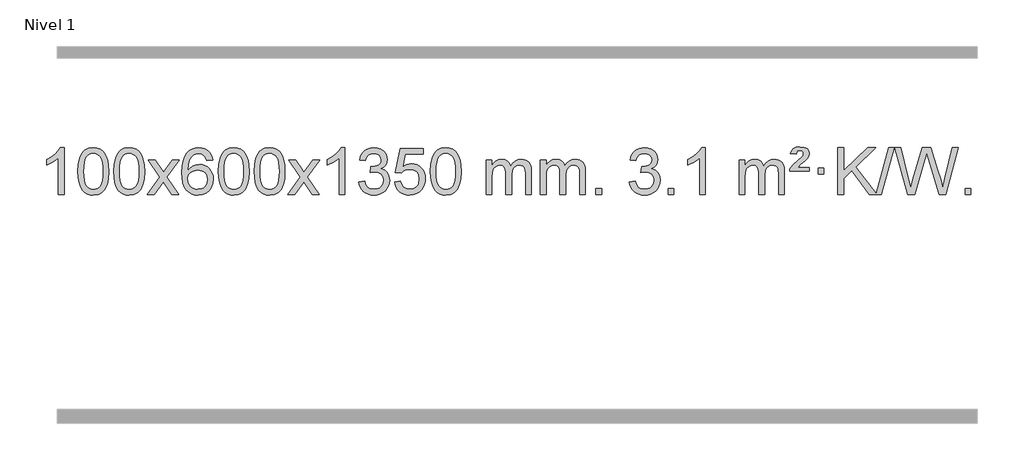
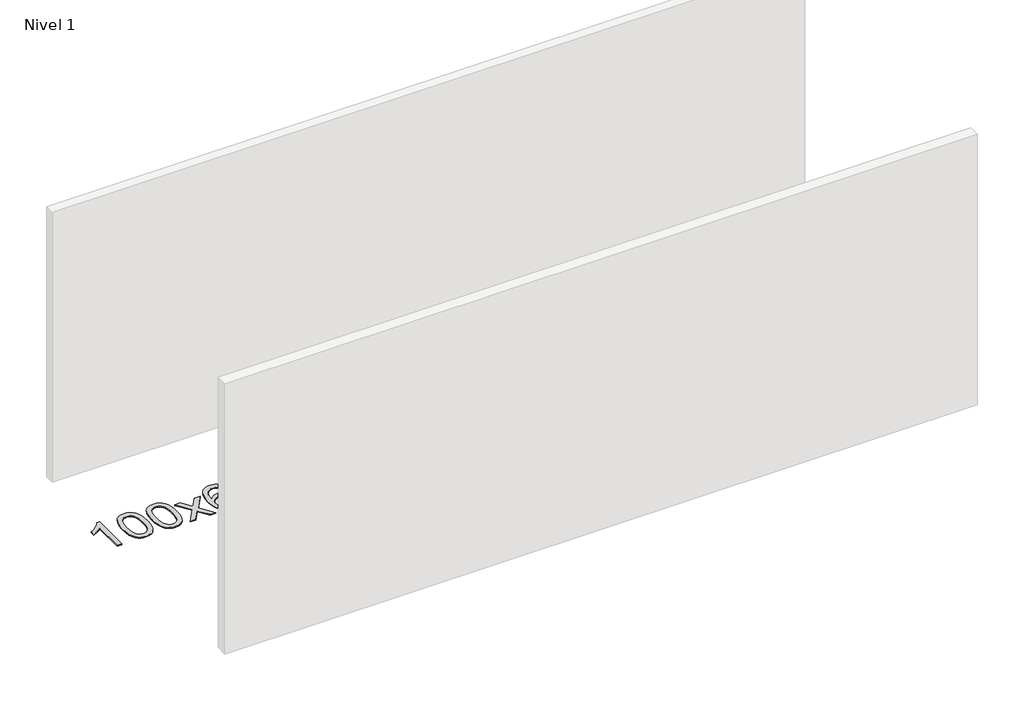
# One storey, part 3 of 9: 1 proxy.
"""IFC4 building model written with IfcOpenShell, lengths in millimetres."""

from ifc_helpers import new_model, si_unit, origin, origin_with_axes, place, context, project, spatial, polyline, outline, extrude, element, save

model = new_model("IFC4")

# Units and contexts
model_context = context("Model", 3, world=origin())
ifc_project = project(units=[si_unit("LENGTHUNIT", "METRE", prefix="MILLI")], contexts=[model_context])

# Site, building, storey
site = spatial("IfcSite", under=ifc_project)
building = spatial("IfcBuilding", under=site)
storey = spatial("IfcBuildingStorey", under=building, Name="Nivel 1", Elevation=0.0)

# Proxy
placement = place(None, origin())
element("IfcBuildingElementProxy", 1, Name="Texto de modelo 1", ObjectType="Texto de modelo 1", at=placement, inside=storey, context=model_context, shape_type="SweptSolid", body=[
    extrude(outline(polyline([(-12973.1124343, -9420.579453), (-13023.3405894, -9420.579453), (-13023.3405894, -9107.4382987), (-13044.3098631, -9124.3976587), (-13070.9199941, -9141.3324932), (-13123.7968995, -9166.6918254), (-13123.7968995, -9119.2105225), (-13084.3476869, -9097.7507395), (-13050.1714496, -9072.219729), (-13023.2302248, -9045.0700378), (-13005.4860499, -9018.7542124), (-12973.1124343, -9018.7542124), (-12973.1124343, -9420.579453)])), origin_with_axes(), (0.0, 0.0, 1.0), 10.0),
    extrude(outline(polyline([(-12853.820566, -9222.9041943), (-12850.1294833, -9158.5861588), (-12839.0562353, -9107.2911459), (-12820.7111864, -9068.2343407), (-12808.8531234, -9053.0009605), (-12795.2047014, -9040.6309284), (-12779.7199351, -9031.0598651), (-12762.3528393, -9024.2233914), (-12721.9716589, -9018.7542124), (-12691.0205204, -9021.991574), (-12663.3067434, -9031.7036586), (-12640.1301777, -9047.5103217), (-12622.790673, -9069.0314184), (-12609.694074, -9096.0830078), (-12599.2462253, -9128.4811488), (-12592.4036202, -9169.6226186), (-12590.1227518, -9222.9041943), (-12593.7770463, -9286.8543477), (-12604.7399298, -9338.0267333), (-12622.974614, -9377.1203266), (-12634.8050858, -9392.3996922), (-12648.4443108, -9404.8341036), (-12663.9474712, -9414.4695462), (-12681.3697494, -9421.3520052), (-12721.9716589, -9426.8579724), (-12749.636385, -9424.4667394), (-12774.1618513, -9417.2930405), (-12795.548058, -9405.3368757), (-12813.7950049, -9388.5982449), (-12831.3061879, -9358.3399508), (-12843.8141757, -9320.6381776), (-12851.3189684, -9275.4929255), (-12853.820566, -9222.9041943)]), holes=[polyline([(-12803.5924109, -9222.8060924), (-12802.1208829, -9266.4706195), (-12797.706299, -9301.8148822), (-12790.3486591, -9328.8388804), (-12780.0479632, -9347.5426142), (-12767.5890263, -9360.2682656), (-12753.7566633, -9369.3580165), (-12738.5508742, -9374.8118671), (-12721.9716589, -9376.6298173), (-12705.3924437, -9374.8057357), (-12690.1866545, -9369.3334911), (-12676.3542915, -9360.2130833), (-12663.8953546, -9347.4445124), (-12653.5946588, -9328.7101217), (-12646.2370188, -9301.6922549), (-12641.8224349, -9266.3909118), (-12640.3509069, -9222.8060924), (-12641.773384, -9180.2973278), (-12646.0408151, -9145.5753989), (-12653.1532004, -9118.6403055), (-12663.1105397, -9099.4920476), (-12675.3610101, -9086.1440625), (-12689.3527887, -9076.6097875), (-12705.0858753, -9070.8892225), (-12722.5602701, -9068.9823675), (-12739.0536462, -9070.6623619), (-12754.001918, -9075.7023452), (-12767.4050853, -9084.1023175), (-12779.2631483, -9095.8622786), (-12789.9072007, -9116.708925), (-12797.5100953, -9144.8151094), (-12802.071832, -9180.1808319), (-12803.5924109, -9222.8060924)])]), origin_with_axes(), (0.0, 0.0, 1.0), 10.0),
    extrude(outline(polyline([(-12546.1731162, -9222.9041943), (-12542.4820335, -9158.5861588), (-12531.4087854, -9107.2911459), (-12513.0637366, -9068.2343407), (-12501.2056736, -9053.0009605), (-12487.5572516, -9040.6309284), (-12472.0724853, -9031.0598651), (-12454.7053894, -9024.2233914), (-12414.3242091, -9018.7542124), (-12383.3730706, -9021.991574), (-12355.6592936, -9031.7036586), (-12332.4827279, -9047.5103217), (-12315.1432232, -9069.0314184), (-12302.0466242, -9096.0830078), (-12291.5987755, -9128.4811488), (-12284.7561704, -9169.6226186), (-12282.475302, -9222.9041943), (-12286.1295965, -9286.8543477), (-12297.09248, -9338.0267333), (-12315.3271642, -9377.1203266), (-12327.157636, -9392.3996922), (-12340.796861, -9404.8341036), (-12356.3000214, -9414.4695462), (-12373.7222996, -9421.3520052), (-12414.3242091, -9426.8579724), (-12441.9889351, -9424.4667394), (-12466.5144015, -9417.2930405), (-12487.9006081, -9405.3368757), (-12506.1475551, -9388.5982449), (-12523.6587381, -9358.3399508), (-12536.1667259, -9320.6381776), (-12543.6715186, -9275.4929255), (-12546.1731162, -9222.9041943)]), holes=[polyline([(-12495.9449611, -9222.8060924), (-12494.4734331, -9266.4706195), (-12490.0588492, -9301.8148822), (-12482.7012093, -9328.8388804), (-12472.4005134, -9347.5426142), (-12459.9415765, -9360.2682656), (-12446.1092135, -9369.3580165), (-12430.9034243, -9374.8118671), (-12414.3242091, -9376.6298173), (-12397.7449938, -9374.8057357), (-12382.5392047, -9369.3334911), (-12368.7068417, -9360.2130833), (-12356.2479048, -9347.4445124), (-12345.9472089, -9328.7101217), (-12338.589569, -9301.6922549), (-12334.1749851, -9266.3909118), (-12332.7034571, -9222.8060924), (-12334.1259341, -9180.2973278), (-12338.3933653, -9145.5753989), (-12345.5057505, -9118.6403055), (-12355.4630899, -9099.4920476), (-12367.7135603, -9086.1440625), (-12381.7053388, -9076.6097875), (-12397.4384255, -9070.8892225), (-12414.9128203, -9068.9823675), (-12431.4061964, -9070.6623619), (-12446.3544681, -9075.7023452), (-12459.7576355, -9084.1023175), (-12471.6156985, -9095.8622786), (-12482.2597509, -9116.708925), (-12489.8626454, -9144.8151094), (-12494.4243822, -9180.1808319), (-12495.9449611, -9222.8060924)])]), origin_with_axes(), (0.0, 0.0, 1.0), 10.0),
    extrude(outline(polyline([(-12257.3612245, -9420.579453), (-12150.0377838, -9272.2494325), (-12251.0827051, -9125.4890419), (-12190.651956, -9125.4890419), (-12141.8953289, -9196.122385), (-12119.1356962, -9229.4770192), (-12099.4172212, -9202.2047007), (-12043.8915654, -9125.4890419), (-11983.4608163, -9125.4890419), (-12089.6070347, -9272.2494325), (-11987.384891, -9420.579453), (-12047.81564, -9420.579453), (-12109.3255096, -9331.4048574), (-12120.6072241, -9315.1199477), (-12196.9304754, -9420.579453), (-12257.3612245, -9420.579453)])), origin_with_axes(), (0.0, 0.0, 1.0), 10.0),
    extrude(outline(polyline([(-11698.5729993, -9125.4890419), (-11748.8011543, -9131.7675613), (-11756.8945582, -9106.874213), (-11767.8329162, -9089.8780648), (-11790.6170745, -9074.2062918), (-11818.1591732, -9068.9823675), (-11841.5074171, -9072.0235253), (-11863.482235, -9081.1469988), (-11882.3545813, -9100.3627017), (-11897.7688369, -9126.8134171), (-11908.1798974, -9164.227016), (-11912.0426583, -9216.3313693), (-11891.8949877, -9192.8237098), (-11867.7496661, -9176.2567573), (-11840.9555941, -9166.434308), (-11812.8616724, -9163.1601582), (-11788.7286136, -9165.398107), (-11766.4594901, -9172.1119534), (-11746.0543021, -9183.3016975), (-11727.5130496, -9198.9673391), (-11712.1049253, -9218.1769106), (-11701.0991223, -9239.9984443), (-11694.4956405, -9264.4319401), (-11692.2944799, -9291.4773982), (-11696.4392837, -9327.4439945), (-11708.8736951, -9360.786366), (-11728.5676446, -9389.0642287), (-11754.4910625, -9409.8372987), (-11785.4667265, -9422.602804), (-11820.3174142, -9426.8579724), (-11850.2599429, -9424.0375437), (-11877.3023353, -9415.5762579), (-11901.4445912, -9401.4741147), (-11922.6867107, -9381.7311143), (-11940.0047557, -9355.5133908), (-11952.3747877, -9321.9870783), (-11959.796807, -9281.1521768), (-11962.2708134, -9233.0086864), (-11959.5239612, -9179.0342663), (-11951.2834045, -9132.9693092), (-11937.5491433, -9094.8138149), (-11918.3211777, -9064.5677835), (-11897.4806627, -9044.5243462), (-11873.316947, -9030.2076052), (-11845.8300306, -9021.6175606), (-11815.0199135, -9018.7542124), (-11791.8862673, -9020.5261773), (-11770.9476505, -9025.8420722), (-11752.2040628, -9034.7018969), (-11735.6555044, -9047.1056515), (-11721.749565, -9062.6364031), (-11710.9338343, -9080.8772186), (-11703.2083124, -9101.8280983), (-11698.5729993, -9125.4890419)]), holes=[polyline([(-11912.0426583, -9290.6925832), (-11909.1363906, -9312.9494439), (-11900.4175873, -9334.2007605), (-11886.8795299, -9352.472233), (-11869.5154997, -9365.7895612), (-11848.5584887, -9373.9197533), (-11824.2414888, -9376.6298173), (-11791.0953211, -9371.0134855), (-11777.1801846, -9363.9930708), (-11765.0370131, -9354.1644901), (-11755.1869726, -9341.9262824), (-11748.1512295, -9327.6769865), (-11742.522635, -9293.1451299), (-11748.0776531, -9259.9989621), (-11755.0214257, -9246.3781312), (-11764.7427075, -9234.725469), (-11776.9226672, -9225.3904634), (-11791.2424739, -9218.7226022), (-11826.301628, -9213.3883133), (-11859.3987448, -9218.7226022), (-11887.0757336, -9234.725469), (-11897.9987632, -9246.2248471), (-11905.8009272, -9259.3858254), (-11910.4822255, -9274.2084042), (-11912.0426583, -9290.6925832)])]), origin_with_axes(), (0.0, 0.0, 1.0), 10.0),
    extrude(outline(polyline([(-11648.3448442, -9222.9041943), (-11644.6537615, -9158.5861588), (-11633.5805135, -9107.2911459), (-11615.2354646, -9068.2343407), (-11603.3774017, -9053.0009605), (-11589.7289796, -9040.6309284), (-11574.2442133, -9031.0598651), (-11556.8771175, -9024.2233914), (-11516.4959371, -9018.7542124), (-11485.5447986, -9021.991574), (-11457.8310216, -9031.7036586), (-11434.6544559, -9047.5103217), (-11417.3149512, -9069.0314184), (-11404.2183522, -9096.0830078), (-11393.7705035, -9128.4811488), (-11386.9278984, -9169.6226186), (-11384.6470301, -9222.9041943), (-11388.3013245, -9286.8543477), (-11399.264208, -9338.0267333), (-11417.4988922, -9377.1203266), (-11429.3293641, -9392.3996922), (-11442.968589, -9404.8341036), (-11458.4717494, -9414.4695462), (-11475.8940276, -9421.3520052), (-11516.4959371, -9426.8579724), (-11544.1606632, -9424.4667394), (-11568.6861295, -9417.2930405), (-11590.0723362, -9405.3368757), (-11608.3192831, -9388.5982449), (-11625.8304661, -9358.3399508), (-11638.3384539, -9320.6381776), (-11645.8432466, -9275.4929255), (-11648.3448442, -9222.9041943)]), holes=[polyline([(-11598.1166891, -9222.8060924), (-11596.6451611, -9266.4706195), (-11592.2305772, -9301.8148822), (-11584.8729373, -9328.8388804), (-11574.5722414, -9347.5426142), (-11562.1133045, -9360.2682656), (-11548.2809415, -9369.3580165), (-11533.0751524, -9374.8118671), (-11516.4959371, -9376.6298173), (-11499.9167219, -9374.8057357), (-11484.7109327, -9369.3334911), (-11470.8785697, -9360.2130833), (-11458.4196328, -9347.4445124), (-11448.118937, -9328.7101217), (-11440.7612971, -9301.6922549), (-11436.3467131, -9266.3909118), (-11434.8751851, -9222.8060924), (-11436.2976622, -9180.2973278), (-11440.5650933, -9145.5753989), (-11447.6774786, -9118.6403055), (-11457.6348179, -9099.4920476), (-11469.8852883, -9086.1440625), (-11483.8770669, -9076.6097875), (-11499.6101535, -9070.8892225), (-11517.0845483, -9068.9823675), (-11533.5779244, -9070.6623619), (-11548.5261962, -9075.7023452), (-11561.9293635, -9084.1023175), (-11573.7874265, -9095.8622786), (-11584.4314789, -9116.708925), (-11592.0343735, -9144.8151094), (-11596.5961102, -9180.1808319), (-11598.1166891, -9222.8060924)])]), origin_with_axes(), (0.0, 0.0, 1.0), 10.0),
    extrude(outline(polyline([(-11340.6973944, -9222.9041943), (-11337.0063117, -9158.5861588), (-11325.9330636, -9107.2911459), (-11307.5880148, -9068.2343407), (-11295.7299518, -9053.0009605), (-11282.0815298, -9040.6309284), (-11266.5967635, -9031.0598651), (-11249.2296676, -9024.2233914), (-11208.8484873, -9018.7542124), (-11177.8973488, -9021.991574), (-11150.1835718, -9031.7036586), (-11127.0070061, -9047.5103217), (-11109.6675014, -9069.0314184), (-11096.5709024, -9096.0830078), (-11086.1230537, -9128.4811488), (-11079.2804486, -9169.6226186), (-11076.9995802, -9222.9041943), (-11080.6538747, -9286.8543477), (-11091.6167582, -9338.0267333), (-11109.8514424, -9377.1203266), (-11121.6819142, -9392.3996922), (-11135.3211392, -9404.8341036), (-11150.8242996, -9414.4695462), (-11168.2465778, -9421.3520052), (-11208.8484873, -9426.8579724), (-11236.5132133, -9424.4667394), (-11261.0386797, -9417.2930405), (-11282.4248863, -9405.3368757), (-11300.6718333, -9388.5982449), (-11318.1830163, -9358.3399508), (-11330.6910041, -9320.6381776), (-11338.1957968, -9275.4929255), (-11340.6973944, -9222.9041943)]), holes=[polyline([(-11290.4692393, -9222.8060924), (-11288.9977113, -9266.4706195), (-11284.5831274, -9301.8148822), (-11277.2254875, -9328.8388804), (-11266.9247916, -9347.5426142), (-11254.4658547, -9360.2682656), (-11240.6334917, -9369.3580165), (-11225.4277025, -9374.8118671), (-11208.8484873, -9376.6298173), (-11192.269272, -9374.8057357), (-11177.0634829, -9369.3334911), (-11163.2311199, -9360.2130833), (-11150.772183, -9347.4445124), (-11140.4714871, -9328.7101217), (-11133.1138472, -9301.6922549), (-11128.6992633, -9266.3909118), (-11127.2277353, -9222.8060924), (-11128.6502123, -9180.2973278), (-11132.9176435, -9145.5753989), (-11140.0300287, -9118.6403055), (-11149.9873681, -9099.4920476), (-11162.2378385, -9086.1440625), (-11176.2296171, -9076.6097875), (-11191.9627037, -9070.8892225), (-11209.4370985, -9068.9823675), (-11225.9304746, -9070.6623619), (-11240.8787463, -9075.7023452), (-11254.2819137, -9084.1023175), (-11266.1399767, -9095.8622786), (-11276.7840291, -9116.708925), (-11284.3869236, -9144.8151094), (-11288.9486604, -9180.1808319), (-11290.4692393, -9222.8060924)])]), origin_with_axes(), (0.0, 0.0, 1.0), 10.0),
    extrude(outline(polyline([(-11051.8855027, -9420.579453), (-10944.562062, -9272.2494325), (-11045.6069833, -9125.4890419), (-10985.1762342, -9125.4890419), (-10936.4196071, -9196.122385), (-10913.6599744, -9229.4770192), (-10893.9414994, -9202.2047007), (-10838.4158436, -9125.4890419), (-10777.9850945, -9125.4890419), (-10884.1313129, -9272.2494325), (-10781.9091692, -9420.579453), (-10842.3399182, -9420.579453), (-10903.8497878, -9331.4048574), (-10915.1315023, -9315.1199477), (-10991.4547536, -9420.579453), (-11051.8855027, -9420.579453)])), origin_with_axes(), (0.0, 0.0, 1.0), 10.0),
    extrude(outline(polyline([(-10562.1609907, -9420.579453), (-10612.3891458, -9420.579453), (-10612.3891458, -9107.4382987), (-10633.3584195, -9124.3976587), (-10659.9685505, -9141.3324932), (-10712.8454559, -9166.6918254), (-10712.8454559, -9119.2105225), (-10673.3962433, -9097.7507395), (-10639.220006, -9072.219729), (-10612.2787812, -9045.0700378), (-10594.5346063, -9018.7542124), (-10562.1609907, -9018.7542124), (-10562.1609907, -9420.579453)])), origin_with_axes(), (0.0, 0.0, 1.0), 10.0),
    extrude(outline(polyline([(-10442.8691224, -9313.8446235), (-10392.6409673, -9307.5661041), (-10381.396041, -9339.1303793), (-10364.9271904, -9360.4430095), (-10342.425075, -9372.5831154), (-10313.0803545, -9376.6298173), (-10278.6465998, -9371.0625364), (-10264.3727783, -9364.1034354), (-10252.0609942, -9354.3606939), (-10235.0648461, -9329.4428201), (-10229.3994633, -9299.2274455), (-10235.0157951, -9270.5449126), (-10251.8647905, -9247.2825078), (-10277.3712755, -9231.8682522), (-10308.9600762, -9226.730167), (-10344.1786458, -9232.2238715), (-10338.5868395, -9181.9957164), (-10330.5424865, -9182.5843276), (-10300.4497393, -9178.979084), (-10273.5453028, -9168.1633534), (-10262.4720547, -9159.9841103), (-10254.5625918, -9149.8673555), (-10249.8169141, -9137.8130888), (-10248.2350215, -9123.8213102), (-10252.8212837, -9102.1285352), (-10266.5800703, -9084.5315131), (-10287.5738695, -9072.8696539), (-10313.8651694, -9068.9823675), (-10340.2055203, -9072.9064421), (-10361.7388797, -9084.6786659), (-10377.4597037, -9104.299039), (-10386.3624479, -9131.7675613), (-10436.590603, -9125.4890419), (-10430.6370461, -9101.5092672), (-10421.8017468, -9080.3867093), (-10410.0847053, -9062.1213683), (-10395.4859214, -9046.713244), (-10378.4652478, -9034.4811677), (-10359.4825368, -9025.7439703), (-10338.5377886, -9020.5016519), (-10315.631003, -9018.7542124), (-10284.0544651, -9022.2000404), (-10255.0531011, -9032.5375245), (-10230.6012112, -9048.8469596), (-10212.6730953, -9070.2086408), (-10201.6734236, -9094.8199463), (-10198.0068664, -9120.8782543), (-10201.4894826, -9145.1584659), (-10211.9373313, -9167.1823347), (-10229.2032596, -9185.9443165), (-10253.1401148, -9200.4388671), (-10221.6984669, -9213.1430586), (-10198.3992739, -9234.77452), (-10183.9782997, -9264.1560286), (-10179.1713083, -9300.1103623), (-10181.574804, -9325.5923218), (-10188.7852911, -9349.0631931), (-10200.8027696, -9370.5229762), (-10217.6272395, -9389.971671), (-10238.124398, -9406.1094278), (-10261.1599423, -9417.636397), (-10286.7338723, -9424.5525785), (-10314.8461881, -9426.8579724), (-10340.2545712, -9424.8898037), (-10363.4066114, -9418.9852977), (-10384.3023088, -9409.1444543), (-10402.9416632, -9395.3672736), (-10418.5705166, -9378.4630959), (-10430.434711, -9359.2412617), (-10438.5342462, -9337.7017708), (-10442.8691224, -9313.8446235)])), origin_with_axes(), (0.0, 0.0, 1.0), 10.0),
    extrude(outline(polyline([(-10135.2216726, -9313.8446235), (-10084.9935175, -9307.5661041), (-10075.7719421, -9337.7201649), (-10059.6832362, -9359.3148381), (-10036.8009761, -9372.3010725), (-10007.1987382, -9376.6298173), (-9988.0688745, -9375.1245668), (-9971.1953537, -9370.6088153), (-9956.5781757, -9363.0825628), (-9944.2173407, -9352.5458094), (-9934.38876, -9339.519721), (-9927.3683453, -9324.5254641), (-9921.7520135, -9288.6324441), (-9927.012726, -9254.8363514), (-9933.5886167, -9240.9181493), (-9942.7948636, -9228.9865099), (-9954.6621237, -9219.4154467), (-9969.2210536, -9212.5789729), (-10006.4139233, -9207.1097939), (-10030.7799741, -9209.2925604), (-10050.5107118, -9215.8408599), (-10066.2683239, -9225.8717757), (-10078.7149981, -9238.5023908), (-10128.9431532, -9232.2238715), (-10084.9935175, -9025.0327318), (-9890.3594166, -9025.0327318), (-9890.3594166, -9075.2608869), (-10044.3793452, -9075.2608869), (-10065.8636537, -9185.919791), (-10048.1378729, -9173.2155994), (-10029.9828965, -9164.1411769), (-10011.3987244, -9158.6965234), (-9992.3853566, -9156.8816388), (-9967.9242696, -9159.1318504), (-9945.4558767, -9165.882485), (-9924.980178, -9177.1335427), (-9906.4971734, -9192.8850234), (-9891.1963481, -9212.1743027), (-9880.2671872, -9234.038756), (-9873.7096906, -9258.4783832), (-9871.5238584, -9285.4931844), (-9873.4920271, -9311.5147042), (-9879.3965331, -9335.7213394), (-9889.2373765, -9358.1130902), (-9903.0145572, -9378.6899565), (-9923.8857291, -9399.7634634), (-9948.2395172, -9414.8159684), (-9976.0759215, -9423.8474714), (-10007.394942, -9426.8579724), (-10033.3152942, -9424.9235262), (-10056.7279175, -9419.1201877), (-10077.6328119, -9409.447957), (-10096.0299773, -9395.9068338), (-10111.336934, -9379.1712688), (-10122.9712021, -9359.915712), (-10130.9327816, -9338.1401636), (-10135.2216726, -9313.8446235)])), origin_with_axes(), (0.0, 0.0, 1.0), 10.0),
    extrude(outline(polyline([(-9827.5742227, -9222.9041943), (-9823.8831401, -9158.5861588), (-9812.809892, -9107.2911459), (-9794.4648432, -9068.2343407), (-9782.6067802, -9053.0009605), (-9768.9583582, -9040.6309284), (-9753.4735919, -9031.0598651), (-9736.106496, -9024.2233914), (-9695.7253157, -9018.7542124), (-9664.7741771, -9021.991574), (-9637.0604002, -9031.7036586), (-9613.8838345, -9047.5103217), (-9596.5443298, -9069.0314184), (-9583.4477307, -9096.0830078), (-9572.9998821, -9128.4811488), (-9566.157277, -9169.6226186), (-9563.8764086, -9222.9041943), (-9567.5307031, -9286.8543477), (-9578.4935865, -9338.0267333), (-9596.7282708, -9377.1203266), (-9608.5587426, -9392.3996922), (-9622.1979676, -9404.8341036), (-9637.701128, -9414.4695462), (-9655.1234061, -9421.3520052), (-9695.7253157, -9426.8579724), (-9723.3900417, -9424.4667394), (-9747.915508, -9417.2930405), (-9769.3017147, -9405.3368757), (-9787.5486617, -9388.5982449), (-9805.0598446, -9358.3399508), (-9817.5678325, -9320.6381776), (-9825.0726252, -9275.4929255), (-9827.5742227, -9222.9041943)]), holes=[polyline([(-9777.3460677, -9222.8060924), (-9775.8745397, -9266.4706195), (-9771.4599557, -9301.8148822), (-9764.1023158, -9328.8388804), (-9753.80162, -9347.5426142), (-9741.3426831, -9360.2682656), (-9727.51032, -9369.3580165), (-9712.3045309, -9374.8118671), (-9695.7253157, -9376.6298173), (-9679.1461004, -9374.8057357), (-9663.9403113, -9369.3334911), (-9650.1079483, -9360.2130833), (-9637.6490114, -9347.4445124), (-9627.3483155, -9328.7101217), (-9619.9906756, -9301.6922549), (-9615.5760916, -9266.3909118), (-9614.1045637, -9222.8060924), (-9615.5270407, -9180.2973278), (-9619.7944719, -9145.5753989), (-9626.9068571, -9118.6403055), (-9636.8641964, -9099.4920476), (-9649.1146669, -9086.1440625), (-9663.1064454, -9076.6097875), (-9678.8395321, -9070.8892225), (-9696.3139269, -9068.9823675), (-9712.807303, -9070.6623619), (-9727.7555747, -9075.7023452), (-9741.1587421, -9084.1023175), (-9753.016805, -9095.8622786), (-9763.6608574, -9116.708925), (-9771.263752, -9144.8151094), (-9775.8254887, -9180.1808319), (-9777.3460677, -9222.8060924)])]), origin_with_axes(), (0.0, 0.0, 1.0), 10.0),
    extrude(outline(polyline([(-9350.4067495, -9420.579453), (-9350.4067495, -9125.4890419), (-9300.1785945, -9125.4890419), (-9300.1785945, -9174.0494653), (-9285.0709072, -9151.7435537), (-9265.6467378, -9134.2691589), (-9242.568274, -9122.9751816), (-9216.4977033, -9119.2105225), (-9188.5631971, -9123.048758), (-9166.1714463, -9134.5634645), (-9149.4450783, -9152.9943524), (-9138.5067203, -9177.5811324), (-9120.1984597, -9152.0439906), (-9099.3150251, -9133.803175), (-9075.8564165, -9122.8586857), (-9049.822634, -9119.2105225), (-9029.7148173, -9120.7280358), (-9012.0656786, -9125.2805755), (-8996.8752178, -9132.8681416), (-8984.1434351, -9143.4907342), (-8974.0787969, -9157.2709806), (-8966.8897696, -9174.3315082), (-8962.5763532, -9194.6723168), (-8961.1385477, -9218.2934066), (-8961.1385477, -9420.579453), (-9011.3667028, -9420.579453), (-9011.3667028, -9239.875817), (-9012.5316624, -9214.8230531), (-9016.0265414, -9197.9372695), (-9022.5748409, -9186.3735121), (-9032.9000622, -9177.2868268), (-9046.1806022, -9171.4007149), (-9061.5948578, -9169.4386776), (-9088.8058628, -9174.4663982), (-9110.9891471, -9189.54956), (-9119.5945201, -9201.1194488), (-9125.7412151, -9215.7182326), (-9130.6585711, -9254.0024856), (-9130.6585711, -9420.579453), (-9180.8867261, -9420.579453), (-9180.8867261, -9234.2840106), (-9183.7929939, -9205.8835206), (-9192.5117972, -9185.6254854), (-9207.8524764, -9173.4853796), (-9230.6243719, -9169.4386776), (-9249.9749648, -9172.1364789), (-9267.8049789, -9180.2298828), (-9282.5202587, -9193.5226856), (-9292.526649, -9211.8186835), (-9298.2656081, -9237.2025411), (-9300.1785945, -9271.7589232), (-9300.1785945, -9420.579453), (-9350.4067495, -9420.579453)])), origin_with_axes(), (0.0, 0.0, 1.0), 10.0),
    extrude(outline(polyline([(-8885.7963151, -9420.579453), (-8885.7963151, -9125.4890419), (-8835.56816, -9125.4890419), (-8835.56816, -9174.0494653), (-8820.4604727, -9151.7435537), (-8801.0363034, -9134.2691589), (-8777.9578396, -9122.9751816), (-8751.8872688, -9119.2105225), (-8723.9527627, -9123.048758), (-8701.5610119, -9134.5634645), (-8684.8346439, -9152.9943524), (-8673.8962859, -9177.5811324), (-8655.5880252, -9152.0439906), (-8634.7045906, -9133.803175), (-8611.2459821, -9122.8586857), (-8585.2121996, -9119.2105225), (-8565.1043828, -9120.7280358), (-8547.4552441, -9125.2805755), (-8532.2647834, -9132.8681416), (-8519.5330007, -9143.4907342), (-8509.4683624, -9157.2709806), (-8502.2793351, -9174.3315082), (-8497.9659187, -9194.6723168), (-8496.5281133, -9218.2934066), (-8496.5281133, -9420.579453), (-8546.7562683, -9420.579453), (-8546.7562683, -9239.875817), (-8547.921228, -9214.8230531), (-8551.4161069, -9197.9372695), (-8557.9644064, -9186.3735121), (-8568.2896278, -9177.2868268), (-8581.5701678, -9171.4007149), (-8596.9844234, -9169.4386776), (-8624.1954283, -9174.4663982), (-8646.3787126, -9189.54956), (-8654.9840856, -9201.1194488), (-8661.1307806, -9215.7182326), (-8666.0481366, -9254.0024856), (-8666.0481366, -9420.579453), (-8716.2762917, -9420.579453), (-8716.2762917, -9234.2840106), (-8719.1825595, -9205.8835206), (-8727.9013628, -9185.6254854), (-8743.242042, -9173.4853796), (-8766.0139375, -9169.4386776), (-8785.3645304, -9172.1364789), (-8803.1945444, -9180.2298828), (-8817.9098242, -9193.5226856), (-8827.9162145, -9211.8186835), (-8833.6551736, -9237.2025411), (-8835.56816, -9271.7589232), (-8835.56816, -9420.579453), (-8885.7963151, -9420.579453)])), origin_with_axes(), (0.0, 0.0, 1.0), 10.0),
    extrude(outline(polyline([(-8408.6288419, -9420.579453), (-8408.6288419, -9370.3512979), (-8358.4006868, -9370.3512979), (-8358.4006868, -9420.579453), (-8408.6288419, -9420.579453)])), origin_with_axes(), (0.0, 0.0, 1.0), 10.0),
    extrude(outline(polyline([(-8119.8169502, -9313.8446235), (-8069.5887951, -9307.5661041), (-8058.3438688, -9339.1303793), (-8041.8750181, -9360.4430095), (-8019.3729028, -9372.5831154), (-7990.0281823, -9376.6298173), (-7955.5944275, -9371.0625364), (-7941.3206061, -9364.1034354), (-7929.008822, -9354.3606939), (-7912.0126739, -9329.4428201), (-7906.3472911, -9299.2274455), (-7911.9636229, -9270.5449126), (-7928.8126183, -9247.2825078), (-7954.3191033, -9231.8682522), (-7985.9079039, -9226.730167), (-8021.1264736, -9232.2238715), (-8015.5346673, -9181.9957164), (-8007.4903143, -9182.5843276), (-7977.3975671, -9178.979084), (-7950.4931305, -9168.1633534), (-7939.4198825, -9159.9841103), (-7931.5104196, -9149.8673555), (-7926.7647419, -9137.8130888), (-7925.1828493, -9123.8213102), (-7929.7691115, -9102.1285352), (-7943.5278981, -9084.5315131), (-7964.5216973, -9072.8696539), (-7990.8129972, -9068.9823675), (-8017.1533481, -9072.9064421), (-8038.6867075, -9084.6786659), (-8054.4075314, -9104.299039), (-8063.3102757, -9131.7675613), (-8113.5384308, -9125.4890419), (-8107.5848739, -9101.5092672), (-8098.7495746, -9080.3867093), (-8087.0325331, -9062.1213683), (-8072.4337492, -9046.713244), (-8055.4130756, -9034.4811677), (-8036.4303646, -9025.7439703), (-8015.4856164, -9020.5016519), (-7992.5788308, -9018.7542124), (-7961.0022929, -9022.2000404), (-7932.0009289, -9032.5375245), (-7907.549039, -9048.8469596), (-7889.6209231, -9070.2086408), (-7878.6212514, -9094.8199463), (-7874.9546942, -9120.8782543), (-7878.4373104, -9145.1584659), (-7888.8851591, -9167.1823347), (-7906.1510874, -9185.9443165), (-7930.0879425, -9200.4388671), (-7898.6462947, -9213.1430586), (-7875.3471017, -9234.77452), (-7860.9261275, -9264.1560286), (-7856.119136, -9300.1103623), (-7858.5226318, -9325.5923218), (-7865.7331189, -9349.0631931), (-7877.7505974, -9370.5229762), (-7894.5750673, -9389.971671), (-7915.0722258, -9406.1094278), (-7938.10777, -9417.636397), (-7963.6817001, -9424.5525785), (-7991.7940159, -9426.8579724), (-8017.202399, -9424.8898037), (-8040.3544392, -9418.9852977), (-8061.2501366, -9409.1444543), (-8079.889491, -9395.3672736), (-8095.5183444, -9378.4630959), (-8107.3825388, -9359.2412617), (-8115.482074, -9337.7017708), (-8119.8169502, -9313.8446235)])), origin_with_axes(), (0.0, 0.0, 1.0), 10.0),
    extrude(outline(polyline([(-7787.0554228, -9420.579453), (-7787.0554228, -9370.3512979), (-7736.8272677, -9370.3512979), (-7736.8272677, -9420.579453), (-7787.0554228, -9420.579453)])), origin_with_axes(), (0.0, 0.0, 1.0), 10.0),
    extrude(outline(polyline([(-7466.8509342, -9420.579453), (-7517.0790893, -9420.579453), (-7517.0790893, -9107.4382987), (-7538.048363, -9124.3976587), (-7564.658494, -9141.3324932), (-7617.5353994, -9166.6918254), (-7617.5353994, -9119.2105225), (-7578.0861868, -9097.7507395), (-7543.9099495, -9072.219729), (-7516.9687247, -9045.0700378), (-7499.2245498, -9018.7542124), (-7466.8509342, -9018.7542124), (-7466.8509342, -9420.579453)])), origin_with_axes(), (0.0, 0.0, 1.0), 10.0),
    extrude(outline(polyline([(-7178.0390425, -9420.579453), (-7178.0390425, -9125.4890419), (-7127.8108875, -9125.4890419), (-7127.8108875, -9174.0494653), (-7112.7032002, -9151.7435537), (-7093.2790309, -9134.2691589), (-7070.200567, -9122.9751816), (-7044.1299963, -9119.2105225), (-7016.1954901, -9123.048758), (-6993.8037394, -9134.5634645), (-6977.0773713, -9152.9943524), (-6966.1390133, -9177.5811324), (-6947.8307527, -9152.0439906), (-6926.9473181, -9133.803175), (-6903.4887095, -9122.8586857), (-6877.454927, -9119.2105225), (-6857.3471103, -9120.7280358), (-6839.6979716, -9125.2805755), (-6824.5075109, -9132.8681416), (-6811.7757281, -9143.4907342), (-6801.7110899, -9157.2709806), (-6794.5220626, -9174.3315082), (-6790.2086462, -9194.6723168), (-6788.7708407, -9218.2934066), (-6788.7708407, -9420.579453), (-6838.9989958, -9420.579453), (-6838.9989958, -9239.875817), (-6840.1639554, -9214.8230531), (-6843.6588344, -9197.9372695), (-6850.2071339, -9186.3735121), (-6860.5323552, -9177.2868268), (-6873.8128953, -9171.4007149), (-6889.2271509, -9169.4386776), (-6916.4381558, -9174.4663982), (-6938.6214401, -9189.54956), (-6947.2268131, -9201.1194488), (-6953.3735081, -9215.7182326), (-6958.2908641, -9254.0024856), (-6958.2908641, -9420.579453), (-7008.5190192, -9420.579453), (-7008.5190192, -9234.2840106), (-7011.4252869, -9205.8835206), (-7020.1440902, -9185.6254854), (-7035.4847694, -9173.4853796), (-7058.2566649, -9169.4386776), (-7077.6072579, -9172.1364789), (-7095.4372719, -9180.2298828), (-7110.1525517, -9193.5226856), (-7120.158942, -9211.8186835), (-7125.8979011, -9237.2025411), (-7127.8108875, -9271.7589232), (-7127.8108875, -9420.579453), (-7178.0390425, -9420.579453)])), origin_with_axes(), (0.0, 0.0, 1.0), 10.0),
    extrude(outline(polyline([(-6744.821205, -9219.6668327), (-6740.9952323, -9203.8479069), (-6732.6565737, -9187.9799302), (-6711.1477397, -9162.8413272), (-6679.1910571, -9135.1030247), (-6635.0452177, -9097.726214), (-6627.908307, -9086.1992448), (-6625.5293367, -9074.3779701), (-6627.4177976, -9062.2869152), (-6633.0831804, -9052.5012541), (-6642.4519085, -9046.026531), (-6655.4504057, -9043.8682899), (-6667.8848171, -9045.4869707), (-6676.7385104, -9050.343013), (-6683.1641826, -9059.8098431), (-6688.3145306, -9075.2608869), (-6738.5426856, -9068.9823675), (-6727.7024295, -9043.7701881), (-6711.0741633, -9026.2099542), (-6687.3089864, -9015.9092583), (-6655.0579982, -9012.475693), (-6619.2753428, -9016.6082341), (-6594.5291473, -9029.0058573), (-6580.108173, -9047.3386434), (-6575.3011816, -9069.2766731), (-6579.3969345, -9092.1834586), (-6591.6841932, -9113.8149199), (-6612.2120085, -9133.6314968), (-6648.6813769, -9161.6886303), (-6674.2859638, -9188.2742358), (-6575.3011816, -9188.2742358), (-6575.3011816, -9219.6668327), (-6744.821205, -9219.6668327)])), origin_with_axes(), (0.0, 0.0, 1.0), 10.0),
    extrude(outline(polyline([(-6499.958949, -9244.7809102), (-6499.958949, -9194.5527552), (-6449.730794, -9194.5527552), (-6449.730794, -9244.7809102), (-6499.958949, -9244.7809102)])), origin_with_axes(), (0.0, 0.0, 1.0), 10.0),
    extrude(outline(polyline([(-6059.089166, -9420.579453), (-6212.5204835, -9217.9009991), (-6280.2107706, -9282.4520265), (-6280.2107706, -9420.579453), (-6330.4389257, -9420.579453), (-6330.4389257, -9018.7542124), (-6280.2107706, -9018.7542124), (-6280.2107706, -9215.4484525), (-6074.1968533, -9018.7542124), (-6003.9559177, -9018.7542124), (-6176.9095063, -9183.9577537), (-6002.2558965, -9414.5349332), (-5890.9425687, -9018.7542124), (-5845.6195069, -9018.7542124), (-5958.6328559, -9420.579453), (-5997.6773983, -9420.579453), (-6003.9559177, -9420.579453), (-6059.089166, -9420.579453)])), origin_with_axes(), (0.0, 0.0, 1.0), 10.0),
    extrude(outline(polyline([(-5731.13463, -9420.579453), (-5840.7144137, -9018.7542124), (-5788.9166288, -9018.7542124), (-5725.34662, -9282.844434), (-5705.7262469, -9364.3670841), (-5684.7324477, -9292.2622131), (-5605.073733, -9018.7542124), (-5530.4182135, -9018.7542124), (-5472.5381129, -9217.0180823), (-5447.7428664, -9290.5944814), (-5429.471394, -9364.3670841), (-5410.4396321, -9285.1988788), (-5346.2810122, -9018.7542124), (-5294.4832272, -9018.7542124), (-5404.1611127, -9420.579453), (-5457.8228331, -9420.579453), (-5554.1588649, -9110.5775584), (-5567.5988205, -9067.3146358), (-5582.7065077, -9119.4067263), (-5670.5076772, -9420.579453), (-5731.13463, -9420.579453)])), origin_with_axes(), (0.0, 0.0, 1.0), 10.0),
    extrude(outline(polyline([(-5237.9765528, -9420.579453), (-5237.9765528, -9370.3512979), (-5187.7483977, -9370.3512979), (-5187.7483977, -9420.579453), (-5237.9765528, -9420.579453)])), origin_with_axes(), (0.0, 0.0, 1.0), 10.0),
])

save(model, "model.ifc")
